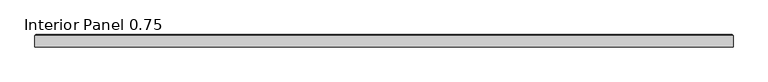
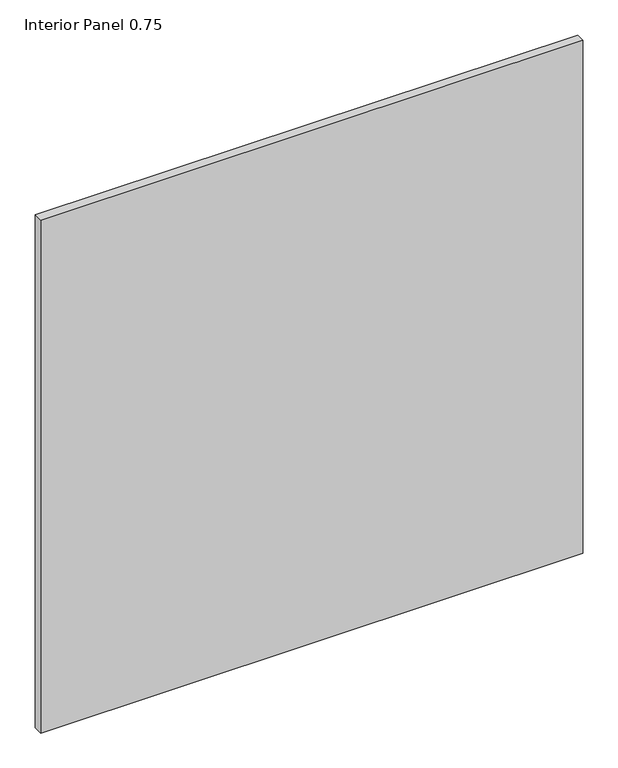
"""IFC4 building model written with IfcOpenShell, lengths in millimetres: proxy geometry, Interior Panel 0.75."""

from ifc_helpers import new_model, si_unit, origin, place, context, project, spatial, faceted_brep, source, transform, mapped, element, save


def interior_panel_0_75_3bc8bd8a(model_context):
    return source(origin(), model_context, "Body", "Brep", [
        faceted_brep([(990.6, -3.175, 1063.625), (990.6, 14.2875, 1063.625), (-73.025, 14.2875, 1063.625), (-73.025, -3.175, 1063.625), (990.6, -3.175, 0.0), (-73.025, -3.175, 0.0), (-73.025, 14.2875, 0.0), (990.6, 14.2875, 0.0), (-71.4375, 15.875, 1062.0375), (989.0125, 15.875, 1062.0375), (989.0125, 15.875, 1.5875), (-71.4375, 15.875, 1.5875)], [[[0, 1, 2, 3]], [[4, 5, 6, 7]], [[3, 5, 4, 0]], [[2, 6, 5, 3]], [[8, 9, 10, 11]], [[0, 4, 7, 1]], [[2, 8, 11, 6]], [[7, 10, 9, 1]], [[1, 9, 8, 2]], [[6, 11, 10, 7]]]),
    ])


if __name__ == "__main__":
    model = new_model("IFC4")
    model_context = context("Model", 3, world=origin())
    ifc_project = project(units=[si_unit("LENGTHUNIT", "METRE", prefix="MILLI")], contexts=[model_context])
    site = spatial("IfcSite", under=ifc_project)
    building = spatial("IfcBuilding", under=site)
    placement = place(None, origin())
    interior_panel_0_75_shape = interior_panel_0_75_3bc8bd8a(model_context)
    element("IfcBuildingElementProxy", 1, Name="Interior Panel 0.75", ObjectType="Interior Panel 0.75", at=placement, inside=building, context=model_context, shape_type="MappedRepresentation", body=[
        mapped(interior_panel_0_75_shape, transform((0.0, 0.0, 0.0), x_axis=(1.0, 0.0, 0.0), y_axis=(0.0, 1.0, 0.0), z_axis=(0.0, 0.0, 1.0))),
    ])
    save(model, "model.ifc")
